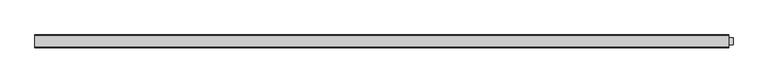
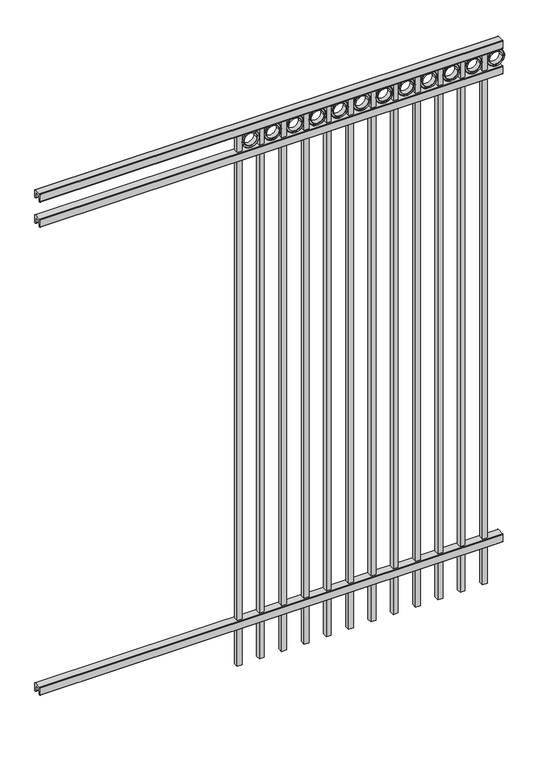
"""IFC4 building model written with IfcOpenShell, lengths in millimetres: railing geometry."""

from ifc_helpers import new_model, si_unit, point, frame, frame_2d, origin, place, context, project, spatial, polyline, circle_curve, trimmed, segment, composite_curve, outline, extrude, source, transform, mapped, element, save


def railing_f466c9e1(model_context):
    return source(origin(), model_context, "Body", "SweptSolid", [
        extrude(outline(composite_curve([segment(polyline([(4253.9139761, 304.8), (4291.969541, 304.8)]), True, "CONTINUOUS"), segment(trimmed(circle_curve(frame_2d((4291.969541, 301.625)), 3.175), [point((4291.969541, 304.8))], [point((4295.144541, 301.625))], False, "CARTESIAN"), True, "CONTINUOUS"), segment(polyline([(4295.144541, 301.625), (4295.144541, 262.1439893)]), True, "CONTINUOUS"), segment(trimmed(circle_curve(frame_2d((4293.3505518, 262.1439893)), 1.7939893), [point((4295.144541, 262.1439893))], [point((4293.3505518, 260.35))], False, "CARTESIAN"), True, "CONTINUOUS"), segment(polyline([(4293.3505518, 260.35), (4290.7590713, 260.35)]), True, "CONTINUOUS"), segment(trimmed(circle_curve(frame_2d((4290.7590713, 262.1359375)), 1.7859375), [point((4290.7590713, 260.35))], [point((4288.9755813, 262.0424688))], False, "CARTESIAN"), True, "CONTINUOUS"), segment(polyline([(4288.9755813, 262.0424688), (4287.4025867, 292.0569942), (4258.4364954, 292.0569942), (4256.8635007, 262.0424688)]), True, "CONTINUOUS"), segment(trimmed(circle_curve(frame_2d((4255.0800108, 262.1359375)), 1.7859375), [point((4256.8635007, 262.0424688))], [point((4255.0800108, 260.35))], False, "CARTESIAN"), True, "CONTINUOUS"), segment(polyline([(4255.0800108, 260.35), (4252.4804785, 260.35)]), True, "CONTINUOUS"), segment(trimmed(circle_curve(frame_2d((4252.4804785, 262.1359375)), 1.7859375), [point((4252.4804785, 260.35))], [point((4250.694541, 262.1359375))], False, "CARTESIAN"), True, "CONTINUOUS"), segment(polyline([(4250.694541, 262.1359375), (4250.694541, 301.5805649)]), True, "CONTINUOUS"), segment(trimmed(circle_curve(frame_2d((4253.9139761, 301.5805649)), 3.2194351), [point((4250.694541, 301.5805649))], [point((4253.9139761, 304.8))], False, "CARTESIAN"), True, "CONTINUOUS")], self_intersect=False)), frame((-6193.0649936, 0.0, 0.0), z_axis=(1.0, 0.0, 0.0), x_axis=(0.0, 1.0, 0.0)), (0.0, 0.0, 1.0), 2438.4),
        extrude(outline(composite_curve([segment(polyline([(4253.9139761, 2907.50625), (4291.969541, 2907.50625)]), True, "CONTINUOUS"), segment(trimmed(circle_curve(frame_2d((4291.969541, 2904.33125)), 3.175), [point((4291.969541, 2907.50625))], [point((4295.144541, 2904.33125))], False, "CARTESIAN"), True, "CONTINUOUS"), segment(polyline([(4295.144541, 2904.33125), (4295.144541, 2864.8502393)]), True, "CONTINUOUS"), segment(trimmed(circle_curve(frame_2d((4293.3505518, 2864.8502393)), 1.7939893), [point((4295.144541, 2864.8502393))], [point((4293.3505518, 2863.05625))], False, "CARTESIAN"), True, "CONTINUOUS"), segment(polyline([(4293.3505518, 2863.05625), (4290.7590713, 2863.05625)]), True, "CONTINUOUS"), segment(trimmed(circle_curve(frame_2d((4290.7590713, 2864.8421875)), 1.7859375), [point((4290.7590713, 2863.05625))], [point((4288.9755813, 2864.7487188))], False, "CARTESIAN"), True, "CONTINUOUS"), segment(polyline([(4288.9755813, 2864.7487188), (4287.4025867, 2894.7632442), (4258.4364954, 2894.7632442), (4256.8635007, 2864.7487188)]), True, "CONTINUOUS"), segment(trimmed(circle_curve(frame_2d((4255.0800108, 2864.8421875)), 1.7859375), [point((4256.8635007, 2864.7487188))], [point((4255.0800108, 2863.05625))], False, "CARTESIAN"), True, "CONTINUOUS"), segment(polyline([(4255.0800108, 2863.05625), (4252.4804785, 2863.05625)]), True, "CONTINUOUS"), segment(trimmed(circle_curve(frame_2d((4252.4804785, 2864.8421875)), 1.7859375), [point((4252.4804785, 2863.05625))], [point((4250.694541, 2864.8421875))], False, "CARTESIAN"), True, "CONTINUOUS"), segment(polyline([(4250.694541, 2864.8421875), (4250.694541, 2904.2868149)]), True, "CONTINUOUS"), segment(trimmed(circle_curve(frame_2d((4253.9139761, 2904.2868149)), 3.2194351), [point((4250.694541, 2904.2868149))], [point((4253.9139761, 2907.50625))], False, "CARTESIAN"), True, "CONTINUOUS")], self_intersect=False)), frame((-6193.0649936, 0.0, 0.0), z_axis=(1.0, 0.0, 0.0), x_axis=(0.0, 1.0, 0.0)), (0.0, 0.0, 1.0), 2438.4),
        extrude(outline(composite_curve([segment(polyline([(4253.9139761, 3048.0), (4291.969541, 3048.0)]), True, "CONTINUOUS"), segment(trimmed(circle_curve(frame_2d((4291.969541, 3044.825)), 3.175), [point((4291.969541, 3048.0))], [point((4295.144541, 3044.825))], False, "CARTESIAN"), True, "CONTINUOUS"), segment(polyline([(4295.144541, 3044.825), (4295.144541, 3005.3439893)]), True, "CONTINUOUS"), segment(trimmed(circle_curve(frame_2d((4293.3505518, 3005.3439893)), 1.7939893), [point((4295.144541, 3005.3439893))], [point((4293.3505518, 3003.55))], False, "CARTESIAN"), True, "CONTINUOUS"), segment(polyline([(4293.3505518, 3003.55), (4290.7590713, 3003.55)]), True, "CONTINUOUS"), segment(trimmed(circle_curve(frame_2d((4290.7590713, 3005.3359375)), 1.7859375), [point((4290.7590713, 3003.55))], [point((4288.9755813, 3005.2424688))], False, "CARTESIAN"), True, "CONTINUOUS"), segment(polyline([(4288.9755813, 3005.2424688), (4287.4025867, 3035.2569942), (4258.4364954, 3035.2569942), (4256.8635007, 3005.2424688)]), True, "CONTINUOUS"), segment(trimmed(circle_curve(frame_2d((4255.0800108, 3005.3359375)), 1.7859375), [point((4256.8635007, 3005.2424688))], [point((4255.0800108, 3003.55))], False, "CARTESIAN"), True, "CONTINUOUS"), segment(polyline([(4255.0800108, 3003.55), (4252.4804785, 3003.55)]), True, "CONTINUOUS"), segment(trimmed(circle_curve(frame_2d((4252.4804785, 3005.3359375)), 1.7859375), [point((4252.4804785, 3003.55))], [point((4250.694541, 3005.3359375))], False, "CARTESIAN"), True, "CONTINUOUS"), segment(polyline([(4250.694541, 3005.3359375), (4250.694541, 3044.7805649)]), True, "CONTINUOUS"), segment(trimmed(circle_curve(frame_2d((4253.9139761, 3044.7805649)), 3.2194351), [point((4250.694541, 3044.7805649))], [point((4253.9139761, 3048.0))], False, "CARTESIAN"), True, "CONTINUOUS")], self_intersect=False)), frame((-6193.0649936, 0.0, 0.0), z_axis=(1.0, 0.0, 0.0), x_axis=(0.0, 1.0, 0.0)), (0.0, 0.0, 1.0), 2438.4),
        extrude(outline(polyline([(0.0, -2952.75), (0.0, 0.0), (25.4, 0.0), (25.4, -2952.75), (0.0, -2952.75)])), frame((-3830.8649864, 4285.619541, 3003.55), z_axis=(-1.0, 0.0, 1.4053472285532807e-09), x_axis=(0.0, -1.0, 0.0)), (0.0, 0.0, 1.0), 25.4),
        extrude(outline(composite_curve([segment(trimmed(circle_curve(frame_2d((2957.8511409, -3785.1661274)), 45.6988591), [point((2957.8511409, -3739.4672684))], [point((2957.8511409, -3830.8649865))], False, "CARTESIAN"), True, "CONTINUOUS"), segment(trimmed(circle_curve(frame_2d((2957.8511409, -3785.1661274)), 45.6988591), [point((2957.8511409, -3830.8649865))], [point((2957.8511409, -3739.4672684))], False, "CARTESIAN"), True, "CONTINUOUS")], self_intersect=False), holes=[composite_curve([segment(trimmed(circle_curve(frame_2d((2957.8511409, -3785.1661274)), 44.101539), [point((2957.8511409, -3741.0645884))], [point((2957.8511409, -3829.2676665))], True, "CARTESIAN"), True, "CONTINUOUS"), segment(trimmed(circle_curve(frame_2d((2957.8511409, -3785.1661274)), 44.101539), [point((2957.8511409, -3829.2676665))], [point((2957.8511409, -3741.0645884))], True, "CARTESIAN"), True, "CONTINUOUS")], self_intersect=False)]), frame((0.0, 4260.219541, 0.0), z_axis=(0.0, 1.0, 0.0), x_axis=(0.0, 0.0, 1.0)), (0.0, 0.0, 1.0), 25.4),
        extrude(outline(composite_curve([segment(trimmed(circle_curve(frame_2d((2957.8511409, -3785.1661274)), 34.6370762), [point((2957.8511409, -3750.5290512))], [point((2957.8511409, -3819.8032037))], False, "CARTESIAN"), True, "CONTINUOUS"), segment(trimmed(circle_curve(frame_2d((2957.8511409, -3785.1661274)), 34.6370762), [point((2957.8511409, -3819.8032037))], [point((2957.8511409, -3750.5290512))], False, "CARTESIAN"), True, "CONTINUOUS")], self_intersect=False), holes=[composite_curve([segment(trimmed(circle_curve(frame_2d((2957.8511409, -3785.1661274)), 33.0443887), [point((2957.8511409, -3752.1217388))], [point((2957.8511409, -3818.2105161))], True, "CARTESIAN"), True, "CONTINUOUS"), segment(trimmed(circle_curve(frame_2d((2957.8511409, -3785.1661274)), 33.0443887), [point((2957.8511409, -3818.2105161))], [point((2957.8511409, -3752.1217388))], True, "CARTESIAN"), True, "CONTINUOUS")], self_intersect=False)]), frame((0.0, 4260.219541, 0.0), z_axis=(0.0, 1.0, 0.0), x_axis=(0.0, 0.0, 1.0)), (0.0, 0.0, 1.0), 25.4),
        extrude(outline(composite_curve([segment(trimmed(circle_curve(frame_2d((2957.8511409, -3785.1661274)), 45.6988591), [point((2957.8511409, -3739.4672684))], [point((2957.8511409, -3830.8649865))], False, "CARTESIAN"), True, "CONTINUOUS"), segment(trimmed(circle_curve(frame_2d((2957.8511409, -3785.1661274)), 45.6988591), [point((2957.8511409, -3830.8649865))], [point((2957.8511409, -3739.4672684))], False, "CARTESIAN"), True, "CONTINUOUS")], self_intersect=False), holes=[composite_curve([segment(trimmed(circle_curve(frame_2d((2957.8511409, -3785.1661274)), 33.0443887), [point((2957.8511409, -3752.1217388))], [point((2957.8511409, -3818.2105161))], True, "CARTESIAN"), True, "CONTINUOUS"), segment(trimmed(circle_curve(frame_2d((2957.8511409, -3785.1661274)), 33.0443887), [point((2957.8511409, -3818.2105161))], [point((2957.8511409, -3752.1217388))], True, "CARTESIAN"), True, "CONTINUOUS")], self_intersect=False)]), frame((0.0, 4266.569541, 0.0), z_axis=(0.0, 1.0, 0.0), x_axis=(0.0, 0.0, 1.0)), (0.0, 0.0, 1.0), 12.7),
        extrude(outline(polyline([(0.0, -2952.75), (0.0, 0.0), (25.4, 0.0), (25.4, -2952.75), (0.0, -2952.75)])), frame((-3948.3399864, 4285.619541, 3003.55), z_axis=(-1.0, 0.0, 1.4053472285532807e-09), x_axis=(0.0, -1.0, 0.0)), (0.0, 0.0, 1.0), 25.4),
        extrude(outline(composite_curve([segment(trimmed(circle_curve(frame_2d((2957.8511409, -3902.6411274)), 45.6988591), [point((2957.8511409, -3856.9422684))], [point((2957.8511409, -3948.3399865))], False, "CARTESIAN"), True, "CONTINUOUS"), segment(trimmed(circle_curve(frame_2d((2957.8511409, -3902.6411274)), 45.6988591), [point((2957.8511409, -3948.3399865))], [point((2957.8511409, -3856.9422684))], False, "CARTESIAN"), True, "CONTINUOUS")], self_intersect=False), holes=[composite_curve([segment(trimmed(circle_curve(frame_2d((2957.8511409, -3902.6411274)), 44.101539), [point((2957.8511409, -3858.5395884))], [point((2957.8511409, -3946.7426665))], True, "CARTESIAN"), True, "CONTINUOUS"), segment(trimmed(circle_curve(frame_2d((2957.8511409, -3902.6411274)), 44.101539), [point((2957.8511409, -3946.7426665))], [point((2957.8511409, -3858.5395884))], True, "CARTESIAN"), True, "CONTINUOUS")], self_intersect=False)]), frame((0.0, 4260.219541, 0.0), z_axis=(0.0, 1.0, 0.0), x_axis=(0.0, 0.0, 1.0)), (0.0, 0.0, 1.0), 25.4),
        extrude(outline(composite_curve([segment(trimmed(circle_curve(frame_2d((2957.8511409, -3902.6411274)), 34.6370762), [point((2957.8511409, -3868.0040512))], [point((2957.8511409, -3937.2782037))], False, "CARTESIAN"), True, "CONTINUOUS"), segment(trimmed(circle_curve(frame_2d((2957.8511409, -3902.6411274)), 34.6370762), [point((2957.8511409, -3937.2782037))], [point((2957.8511409, -3868.0040512))], False, "CARTESIAN"), True, "CONTINUOUS")], self_intersect=False), holes=[composite_curve([segment(trimmed(circle_curve(frame_2d((2957.8511409, -3902.6411274)), 33.0443887), [point((2957.8511409, -3869.5967388))], [point((2957.8511409, -3935.6855161))], True, "CARTESIAN"), True, "CONTINUOUS"), segment(trimmed(circle_curve(frame_2d((2957.8511409, -3902.6411274)), 33.0443887), [point((2957.8511409, -3935.6855161))], [point((2957.8511409, -3869.5967388))], True, "CARTESIAN"), True, "CONTINUOUS")], self_intersect=False)]), frame((0.0, 4260.219541, 0.0), z_axis=(0.0, 1.0, 0.0), x_axis=(0.0, 0.0, 1.0)), (0.0, 0.0, 1.0), 25.4),
        extrude(outline(composite_curve([segment(trimmed(circle_curve(frame_2d((2957.8511409, -3902.6411274)), 45.6988591), [point((2957.8511409, -3856.9422684))], [point((2957.8511409, -3948.3399865))], False, "CARTESIAN"), True, "CONTINUOUS"), segment(trimmed(circle_curve(frame_2d((2957.8511409, -3902.6411274)), 45.6988591), [point((2957.8511409, -3948.3399865))], [point((2957.8511409, -3856.9422684))], False, "CARTESIAN"), True, "CONTINUOUS")], self_intersect=False), holes=[composite_curve([segment(trimmed(circle_curve(frame_2d((2957.8511409, -3902.6411274)), 33.0443887), [point((2957.8511409, -3869.5967388))], [point((2957.8511409, -3935.6855161))], True, "CARTESIAN"), True, "CONTINUOUS"), segment(trimmed(circle_curve(frame_2d((2957.8511409, -3902.6411274)), 33.0443887), [point((2957.8511409, -3935.6855161))], [point((2957.8511409, -3869.5967388))], True, "CARTESIAN"), True, "CONTINUOUS")], self_intersect=False)]), frame((0.0, 4266.569541, 0.0), z_axis=(0.0, 1.0, 0.0), x_axis=(0.0, 0.0, 1.0)), (0.0, 0.0, 1.0), 12.7),
        extrude(outline(polyline([(0.0, -2952.75), (0.0, 0.0), (25.4, 0.0), (25.4, -2952.75), (0.0, -2952.75)])), frame((-4065.8149864, 4285.619541, 3003.55), z_axis=(-1.0, 0.0, 1.4053472285532807e-09), x_axis=(0.0, -1.0, 0.0)), (0.0, 0.0, 1.0), 25.4),
        extrude(outline(composite_curve([segment(trimmed(circle_curve(frame_2d((2957.8511409, -4020.1161274)), 45.6988591), [point((2957.8511409, -3974.4172684))], [point((2957.8511409, -4065.8149865))], False, "CARTESIAN"), True, "CONTINUOUS"), segment(trimmed(circle_curve(frame_2d((2957.8511409, -4020.1161274)), 45.6988591), [point((2957.8511409, -4065.8149865))], [point((2957.8511409, -3974.4172684))], False, "CARTESIAN"), True, "CONTINUOUS")], self_intersect=False), holes=[composite_curve([segment(trimmed(circle_curve(frame_2d((2957.8511409, -4020.1161274)), 44.101539), [point((2957.8511409, -3976.0145884))], [point((2957.8511409, -4064.2176665))], True, "CARTESIAN"), True, "CONTINUOUS"), segment(trimmed(circle_curve(frame_2d((2957.8511409, -4020.1161274)), 44.101539), [point((2957.8511409, -4064.2176665))], [point((2957.8511409, -3976.0145884))], True, "CARTESIAN"), True, "CONTINUOUS")], self_intersect=False)]), frame((0.0, 4260.219541, 0.0), z_axis=(0.0, 1.0, 0.0), x_axis=(0.0, 0.0, 1.0)), (0.0, 0.0, 1.0), 25.4),
        extrude(outline(composite_curve([segment(trimmed(circle_curve(frame_2d((2957.8511409, -4020.1161274)), 34.6370762), [point((2957.8511409, -3985.4790512))], [point((2957.8511409, -4054.7532037))], False, "CARTESIAN"), True, "CONTINUOUS"), segment(trimmed(circle_curve(frame_2d((2957.8511409, -4020.1161274)), 34.6370762), [point((2957.8511409, -4054.7532037))], [point((2957.8511409, -3985.4790512))], False, "CARTESIAN"), True, "CONTINUOUS")], self_intersect=False), holes=[composite_curve([segment(trimmed(circle_curve(frame_2d((2957.8511409, -4020.1161274)), 33.0443887), [point((2957.8511409, -3987.0717388))], [point((2957.8511409, -4053.1605161))], True, "CARTESIAN"), True, "CONTINUOUS"), segment(trimmed(circle_curve(frame_2d((2957.8511409, -4020.1161274)), 33.0443887), [point((2957.8511409, -4053.1605161))], [point((2957.8511409, -3987.0717388))], True, "CARTESIAN"), True, "CONTINUOUS")], self_intersect=False)]), frame((0.0, 4260.219541, 0.0), z_axis=(0.0, 1.0, 0.0), x_axis=(0.0, 0.0, 1.0)), (0.0, 0.0, 1.0), 25.4),
        extrude(outline(composite_curve([segment(trimmed(circle_curve(frame_2d((2957.8511409, -4020.1161274)), 45.6988591), [point((2957.8511409, -3974.4172684))], [point((2957.8511409, -4065.8149865))], False, "CARTESIAN"), True, "CONTINUOUS"), segment(trimmed(circle_curve(frame_2d((2957.8511409, -4020.1161274)), 45.6988591), [point((2957.8511409, -4065.8149865))], [point((2957.8511409, -3974.4172684))], False, "CARTESIAN"), True, "CONTINUOUS")], self_intersect=False), holes=[composite_curve([segment(trimmed(circle_curve(frame_2d((2957.8511409, -4020.1161274)), 33.0443887), [point((2957.8511409, -3987.0717388))], [point((2957.8511409, -4053.1605161))], True, "CARTESIAN"), True, "CONTINUOUS"), segment(trimmed(circle_curve(frame_2d((2957.8511409, -4020.1161274)), 33.0443887), [point((2957.8511409, -4053.1605161))], [point((2957.8511409, -3987.0717388))], True, "CARTESIAN"), True, "CONTINUOUS")], self_intersect=False)]), frame((0.0, 4266.569541, 0.0), z_axis=(0.0, 1.0, 0.0), x_axis=(0.0, 0.0, 1.0)), (0.0, 0.0, 1.0), 12.7),
        extrude(outline(polyline([(0.0, -2952.75), (0.0, 0.0), (25.4, 0.0), (25.4, -2952.75), (0.0, -2952.75)])), frame((-4183.2899864, 4285.619541, 3003.55), z_axis=(-1.0, 0.0, 1.4053472285532807e-09), x_axis=(0.0, -1.0, 0.0)), (0.0, 0.0, 1.0), 25.4),
        extrude(outline(composite_curve([segment(trimmed(circle_curve(frame_2d((2957.8511409, -4137.5911274)), 45.6988591), [point((2957.8511409, -4091.8922684))], [point((2957.8511409, -4183.2899865))], False, "CARTESIAN"), True, "CONTINUOUS"), segment(trimmed(circle_curve(frame_2d((2957.8511409, -4137.5911274)), 45.6988591), [point((2957.8511409, -4183.2899865))], [point((2957.8511409, -4091.8922684))], False, "CARTESIAN"), True, "CONTINUOUS")], self_intersect=False), holes=[composite_curve([segment(trimmed(circle_curve(frame_2d((2957.8511409, -4137.5911274)), 44.101539), [point((2957.8511409, -4093.4895884))], [point((2957.8511409, -4181.6926665))], True, "CARTESIAN"), True, "CONTINUOUS"), segment(trimmed(circle_curve(frame_2d((2957.8511409, -4137.5911274)), 44.101539), [point((2957.8511409, -4181.6926665))], [point((2957.8511409, -4093.4895884))], True, "CARTESIAN"), True, "CONTINUOUS")], self_intersect=False)]), frame((0.0, 4260.219541, 0.0), z_axis=(0.0, 1.0, 0.0), x_axis=(0.0, 0.0, 1.0)), (0.0, 0.0, 1.0), 25.4),
        extrude(outline(composite_curve([segment(trimmed(circle_curve(frame_2d((2957.8511409, -4137.5911274)), 34.6370762), [point((2957.8511409, -4102.9540512))], [point((2957.8511409, -4172.2282037))], False, "CARTESIAN"), True, "CONTINUOUS"), segment(trimmed(circle_curve(frame_2d((2957.8511409, -4137.5911274)), 34.6370762), [point((2957.8511409, -4172.2282037))], [point((2957.8511409, -4102.9540512))], False, "CARTESIAN"), True, "CONTINUOUS")], self_intersect=False), holes=[composite_curve([segment(trimmed(circle_curve(frame_2d((2957.8511409, -4137.5911274)), 33.0443887), [point((2957.8511409, -4104.5467388))], [point((2957.8511409, -4170.6355161))], True, "CARTESIAN"), True, "CONTINUOUS"), segment(trimmed(circle_curve(frame_2d((2957.8511409, -4137.5911274)), 33.0443887), [point((2957.8511409, -4170.6355161))], [point((2957.8511409, -4104.5467388))], True, "CARTESIAN"), True, "CONTINUOUS")], self_intersect=False)]), frame((0.0, 4260.219541, 0.0), z_axis=(0.0, 1.0, 0.0), x_axis=(0.0, 0.0, 1.0)), (0.0, 0.0, 1.0), 25.4),
        extrude(outline(composite_curve([segment(trimmed(circle_curve(frame_2d((2957.8511409, -4137.5911274)), 45.6988591), [point((2957.8511409, -4091.8922684))], [point((2957.8511409, -4183.2899865))], False, "CARTESIAN"), True, "CONTINUOUS"), segment(trimmed(circle_curve(frame_2d((2957.8511409, -4137.5911274)), 45.6988591), [point((2957.8511409, -4183.2899865))], [point((2957.8511409, -4091.8922684))], False, "CARTESIAN"), True, "CONTINUOUS")], self_intersect=False), holes=[composite_curve([segment(trimmed(circle_curve(frame_2d((2957.8511409, -4137.5911274)), 33.0443887), [point((2957.8511409, -4104.5467388))], [point((2957.8511409, -4170.6355161))], True, "CARTESIAN"), True, "CONTINUOUS"), segment(trimmed(circle_curve(frame_2d((2957.8511409, -4137.5911274)), 33.0443887), [point((2957.8511409, -4170.6355161))], [point((2957.8511409, -4104.5467388))], True, "CARTESIAN"), True, "CONTINUOUS")], self_intersect=False)]), frame((0.0, 4266.569541, 0.0), z_axis=(0.0, 1.0, 0.0), x_axis=(0.0, 0.0, 1.0)), (0.0, 0.0, 1.0), 12.7),
        extrude(outline(polyline([(0.0, -2952.75), (0.0, 0.0), (25.4, 0.0), (25.4, -2952.75), (0.0, -2952.75)])), frame((-4300.7649864, 4285.619541, 3003.55), z_axis=(-1.0, 0.0, 1.4053472285532807e-09), x_axis=(0.0, -1.0, 0.0)), (0.0, 0.0, 1.0), 25.4),
        extrude(outline(composite_curve([segment(trimmed(circle_curve(frame_2d((2957.8511409, -4255.0661274)), 45.6988591), [point((2957.8511409, -4209.3672684))], [point((2957.8511409, -4300.7649865))], False, "CARTESIAN"), True, "CONTINUOUS"), segment(trimmed(circle_curve(frame_2d((2957.8511409, -4255.0661274)), 45.6988591), [point((2957.8511409, -4300.7649865))], [point((2957.8511409, -4209.3672684))], False, "CARTESIAN"), True, "CONTINUOUS")], self_intersect=False), holes=[composite_curve([segment(trimmed(circle_curve(frame_2d((2957.8511409, -4255.0661274)), 44.101539), [point((2957.8511409, -4210.9645884))], [point((2957.8511409, -4299.1676665))], True, "CARTESIAN"), True, "CONTINUOUS"), segment(trimmed(circle_curve(frame_2d((2957.8511409, -4255.0661274)), 44.101539), [point((2957.8511409, -4299.1676665))], [point((2957.8511409, -4210.9645884))], True, "CARTESIAN"), True, "CONTINUOUS")], self_intersect=False)]), frame((0.0, 4260.219541, 0.0), z_axis=(0.0, 1.0, 0.0), x_axis=(0.0, 0.0, 1.0)), (0.0, 0.0, 1.0), 25.4),
        extrude(outline(composite_curve([segment(trimmed(circle_curve(frame_2d((2957.8511409, -4255.0661274)), 34.6370762), [point((2957.8511409, -4220.4290512))], [point((2957.8511409, -4289.7032037))], False, "CARTESIAN"), True, "CONTINUOUS"), segment(trimmed(circle_curve(frame_2d((2957.8511409, -4255.0661274)), 34.6370762), [point((2957.8511409, -4289.7032037))], [point((2957.8511409, -4220.4290512))], False, "CARTESIAN"), True, "CONTINUOUS")], self_intersect=False), holes=[composite_curve([segment(trimmed(circle_curve(frame_2d((2957.8511409, -4255.0661274)), 33.0443887), [point((2957.8511409, -4222.0217388))], [point((2957.8511409, -4288.1105161))], True, "CARTESIAN"), True, "CONTINUOUS"), segment(trimmed(circle_curve(frame_2d((2957.8511409, -4255.0661274)), 33.0443887), [point((2957.8511409, -4288.1105161))], [point((2957.8511409, -4222.0217388))], True, "CARTESIAN"), True, "CONTINUOUS")], self_intersect=False)]), frame((0.0, 4260.219541, 0.0), z_axis=(0.0, 1.0, 0.0), x_axis=(0.0, 0.0, 1.0)), (0.0, 0.0, 1.0), 25.4),
        extrude(outline(composite_curve([segment(trimmed(circle_curve(frame_2d((2957.8511409, -4255.0661274)), 45.6988591), [point((2957.8511409, -4209.3672684))], [point((2957.8511409, -4300.7649865))], False, "CARTESIAN"), True, "CONTINUOUS"), segment(trimmed(circle_curve(frame_2d((2957.8511409, -4255.0661274)), 45.6988591), [point((2957.8511409, -4300.7649865))], [point((2957.8511409, -4209.3672684))], False, "CARTESIAN"), True, "CONTINUOUS")], self_intersect=False), holes=[composite_curve([segment(trimmed(circle_curve(frame_2d((2957.8511409, -4255.0661274)), 33.0443887), [point((2957.8511409, -4222.0217388))], [point((2957.8511409, -4288.1105161))], True, "CARTESIAN"), True, "CONTINUOUS"), segment(trimmed(circle_curve(frame_2d((2957.8511409, -4255.0661274)), 33.0443887), [point((2957.8511409, -4288.1105161))], [point((2957.8511409, -4222.0217388))], True, "CARTESIAN"), True, "CONTINUOUS")], self_intersect=False)]), frame((0.0, 4266.569541, 0.0), z_axis=(0.0, 1.0, 0.0), x_axis=(0.0, 0.0, 1.0)), (0.0, 0.0, 1.0), 12.7),
        extrude(outline(polyline([(0.0, -2952.75), (0.0, 0.0), (25.4, 0.0), (25.4, -2952.75), (0.0, -2952.75)])), frame((-4418.2399864, 4285.619541, 3003.55), z_axis=(-1.0, 0.0, 1.4053472285532807e-09), x_axis=(0.0, -1.0, 0.0)), (0.0, 0.0, 1.0), 25.4),
        extrude(outline(composite_curve([segment(trimmed(circle_curve(frame_2d((2957.8511409, -4372.5411274)), 45.6988591), [point((2957.8511409, -4326.8422684))], [point((2957.8511409, -4418.2399865))], False, "CARTESIAN"), True, "CONTINUOUS"), segment(trimmed(circle_curve(frame_2d((2957.8511409, -4372.5411274)), 45.6988591), [point((2957.8511409, -4418.2399865))], [point((2957.8511409, -4326.8422684))], False, "CARTESIAN"), True, "CONTINUOUS")], self_intersect=False), holes=[composite_curve([segment(trimmed(circle_curve(frame_2d((2957.8511409, -4372.5411274)), 44.101539), [point((2957.8511409, -4328.4395884))], [point((2957.8511409, -4416.6426665))], True, "CARTESIAN"), True, "CONTINUOUS"), segment(trimmed(circle_curve(frame_2d((2957.8511409, -4372.5411274)), 44.101539), [point((2957.8511409, -4416.6426665))], [point((2957.8511409, -4328.4395884))], True, "CARTESIAN"), True, "CONTINUOUS")], self_intersect=False)]), frame((0.0, 4260.219541, 0.0), z_axis=(0.0, 1.0, 0.0), x_axis=(0.0, 0.0, 1.0)), (0.0, 0.0, 1.0), 25.4),
        extrude(outline(composite_curve([segment(trimmed(circle_curve(frame_2d((2957.8511409, -4372.5411274)), 34.6370762), [point((2957.8511409, -4337.9040512))], [point((2957.8511409, -4407.1782037))], False, "CARTESIAN"), True, "CONTINUOUS"), segment(trimmed(circle_curve(frame_2d((2957.8511409, -4372.5411274)), 34.6370762), [point((2957.8511409, -4407.1782037))], [point((2957.8511409, -4337.9040512))], False, "CARTESIAN"), True, "CONTINUOUS")], self_intersect=False), holes=[composite_curve([segment(trimmed(circle_curve(frame_2d((2957.8511409, -4372.5411274)), 33.0443887), [point((2957.8511409, -4339.4967388))], [point((2957.8511409, -4405.5855161))], True, "CARTESIAN"), True, "CONTINUOUS"), segment(trimmed(circle_curve(frame_2d((2957.8511409, -4372.5411274)), 33.0443887), [point((2957.8511409, -4405.5855161))], [point((2957.8511409, -4339.4967388))], True, "CARTESIAN"), True, "CONTINUOUS")], self_intersect=False)]), frame((0.0, 4260.219541, 0.0), z_axis=(0.0, 1.0, 0.0), x_axis=(0.0, 0.0, 1.0)), (0.0, 0.0, 1.0), 25.4),
        extrude(outline(composite_curve([segment(trimmed(circle_curve(frame_2d((2957.8511409, -4372.5411274)), 45.6988591), [point((2957.8511409, -4326.8422684))], [point((2957.8511409, -4418.2399865))], False, "CARTESIAN"), True, "CONTINUOUS"), segment(trimmed(circle_curve(frame_2d((2957.8511409, -4372.5411274)), 45.6988591), [point((2957.8511409, -4418.2399865))], [point((2957.8511409, -4326.8422684))], False, "CARTESIAN"), True, "CONTINUOUS")], self_intersect=False), holes=[composite_curve([segment(trimmed(circle_curve(frame_2d((2957.8511409, -4372.5411274)), 33.0443887), [point((2957.8511409, -4339.4967388))], [point((2957.8511409, -4405.5855161))], True, "CARTESIAN"), True, "CONTINUOUS"), segment(trimmed(circle_curve(frame_2d((2957.8511409, -4372.5411274)), 33.0443887), [point((2957.8511409, -4405.5855161))], [point((2957.8511409, -4339.4967388))], True, "CARTESIAN"), True, "CONTINUOUS")], self_intersect=False)]), frame((0.0, 4266.569541, 0.0), z_axis=(0.0, 1.0, 0.0), x_axis=(0.0, 0.0, 1.0)), (0.0, 0.0, 1.0), 12.7),
        extrude(outline(polyline([(0.0, -2952.75), (0.0, 0.0), (25.4, 0.0), (25.4, -2952.75), (0.0, -2952.75)])), frame((-4535.7149864, 4285.619541, 3003.55), z_axis=(-1.0, 0.0, 1.4053472285532807e-09), x_axis=(0.0, -1.0, 0.0)), (0.0, 0.0, 1.0), 25.4),
        extrude(outline(composite_curve([segment(trimmed(circle_curve(frame_2d((2957.8511409, -4490.0161274)), 45.6988591), [point((2957.8511409, -4444.3172684))], [point((2957.8511409, -4535.7149865))], False, "CARTESIAN"), True, "CONTINUOUS"), segment(trimmed(circle_curve(frame_2d((2957.8511409, -4490.0161274)), 45.6988591), [point((2957.8511409, -4535.7149865))], [point((2957.8511409, -4444.3172684))], False, "CARTESIAN"), True, "CONTINUOUS")], self_intersect=False), holes=[composite_curve([segment(trimmed(circle_curve(frame_2d((2957.8511409, -4490.0161274)), 44.101539), [point((2957.8511409, -4445.9145884))], [point((2957.8511409, -4534.1176665))], True, "CARTESIAN"), True, "CONTINUOUS"), segment(trimmed(circle_curve(frame_2d((2957.8511409, -4490.0161274)), 44.101539), [point((2957.8511409, -4534.1176665))], [point((2957.8511409, -4445.9145884))], True, "CARTESIAN"), True, "CONTINUOUS")], self_intersect=False)]), frame((0.0, 4260.219541, 0.0), z_axis=(0.0, 1.0, 0.0), x_axis=(0.0, 0.0, 1.0)), (0.0, 0.0, 1.0), 25.4),
        extrude(outline(composite_curve([segment(trimmed(circle_curve(frame_2d((2957.8511409, -4490.0161274)), 34.6370762), [point((2957.8511409, -4455.3790512))], [point((2957.8511409, -4524.6532037))], False, "CARTESIAN"), True, "CONTINUOUS"), segment(trimmed(circle_curve(frame_2d((2957.8511409, -4490.0161274)), 34.6370762), [point((2957.8511409, -4524.6532037))], [point((2957.8511409, -4455.3790512))], False, "CARTESIAN"), True, "CONTINUOUS")], self_intersect=False), holes=[composite_curve([segment(trimmed(circle_curve(frame_2d((2957.8511409, -4490.0161274)), 33.0443887), [point((2957.8511409, -4456.9717388))], [point((2957.8511409, -4523.0605161))], True, "CARTESIAN"), True, "CONTINUOUS"), segment(trimmed(circle_curve(frame_2d((2957.8511409, -4490.0161274)), 33.0443887), [point((2957.8511409, -4523.0605161))], [point((2957.8511409, -4456.9717388))], True, "CARTESIAN"), True, "CONTINUOUS")], self_intersect=False)]), frame((0.0, 4260.219541, 0.0), z_axis=(0.0, 1.0, 0.0), x_axis=(0.0, 0.0, 1.0)), (0.0, 0.0, 1.0), 25.4),
        extrude(outline(composite_curve([segment(trimmed(circle_curve(frame_2d((2957.8511409, -4490.0161274)), 45.6988591), [point((2957.8511409, -4444.3172684))], [point((2957.8511409, -4535.7149865))], False, "CARTESIAN"), True, "CONTINUOUS"), segment(trimmed(circle_curve(frame_2d((2957.8511409, -4490.0161274)), 45.6988591), [point((2957.8511409, -4535.7149865))], [point((2957.8511409, -4444.3172684))], False, "CARTESIAN"), True, "CONTINUOUS")], self_intersect=False), holes=[composite_curve([segment(trimmed(circle_curve(frame_2d((2957.8511409, -4490.0161274)), 33.0443887), [point((2957.8511409, -4456.9717388))], [point((2957.8511409, -4523.0605161))], True, "CARTESIAN"), True, "CONTINUOUS"), segment(trimmed(circle_curve(frame_2d((2957.8511409, -4490.0161274)), 33.0443887), [point((2957.8511409, -4523.0605161))], [point((2957.8511409, -4456.9717388))], True, "CARTESIAN"), True, "CONTINUOUS")], self_intersect=False)]), frame((0.0, 4266.569541, 0.0), z_axis=(0.0, 1.0, 0.0), x_axis=(0.0, 0.0, 1.0)), (0.0, 0.0, 1.0), 12.7),
        extrude(outline(polyline([(0.0, -2952.75), (0.0, 0.0), (25.4, 0.0), (25.4, -2952.75), (0.0, -2952.75)])), frame((-4653.1899864, 4285.619541, 3003.55), z_axis=(-1.0, 0.0, 1.4053472285532807e-09), x_axis=(0.0, -1.0, 0.0)), (0.0, 0.0, 1.0), 25.4),
        extrude(outline(composite_curve([segment(trimmed(circle_curve(frame_2d((2957.8511409, -4607.4911274)), 45.6988591), [point((2957.8511409, -4561.7922684))], [point((2957.8511409, -4653.1899865))], False, "CARTESIAN"), True, "CONTINUOUS"), segment(trimmed(circle_curve(frame_2d((2957.8511409, -4607.4911274)), 45.6988591), [point((2957.8511409, -4653.1899865))], [point((2957.8511409, -4561.7922684))], False, "CARTESIAN"), True, "CONTINUOUS")], self_intersect=False), holes=[composite_curve([segment(trimmed(circle_curve(frame_2d((2957.8511409, -4607.4911274)), 44.101539), [point((2957.8511409, -4563.3895884))], [point((2957.8511409, -4651.5926665))], True, "CARTESIAN"), True, "CONTINUOUS"), segment(trimmed(circle_curve(frame_2d((2957.8511409, -4607.4911274)), 44.101539), [point((2957.8511409, -4651.5926665))], [point((2957.8511409, -4563.3895884))], True, "CARTESIAN"), True, "CONTINUOUS")], self_intersect=False)]), frame((0.0, 4260.219541, 0.0), z_axis=(0.0, 1.0, 0.0), x_axis=(0.0, 0.0, 1.0)), (0.0, 0.0, 1.0), 25.4),
        extrude(outline(composite_curve([segment(trimmed(circle_curve(frame_2d((2957.8511409, -4607.4911274)), 34.6370762), [point((2957.8511409, -4572.8540512))], [point((2957.8511409, -4642.1282037))], False, "CARTESIAN"), True, "CONTINUOUS"), segment(trimmed(circle_curve(frame_2d((2957.8511409, -4607.4911274)), 34.6370762), [point((2957.8511409, -4642.1282037))], [point((2957.8511409, -4572.8540512))], False, "CARTESIAN"), True, "CONTINUOUS")], self_intersect=False), holes=[composite_curve([segment(trimmed(circle_curve(frame_2d((2957.8511409, -4607.4911274)), 33.0443887), [point((2957.8511409, -4574.4467388))], [point((2957.8511409, -4640.5355161))], True, "CARTESIAN"), True, "CONTINUOUS"), segment(trimmed(circle_curve(frame_2d((2957.8511409, -4607.4911274)), 33.0443887), [point((2957.8511409, -4640.5355161))], [point((2957.8511409, -4574.4467388))], True, "CARTESIAN"), True, "CONTINUOUS")], self_intersect=False)]), frame((0.0, 4260.219541, 0.0), z_axis=(0.0, 1.0, 0.0), x_axis=(0.0, 0.0, 1.0)), (0.0, 0.0, 1.0), 25.4),
        extrude(outline(composite_curve([segment(trimmed(circle_curve(frame_2d((2957.8511409, -4607.4911274)), 45.6988591), [point((2957.8511409, -4561.7922684))], [point((2957.8511409, -4653.1899865))], False, "CARTESIAN"), True, "CONTINUOUS"), segment(trimmed(circle_curve(frame_2d((2957.8511409, -4607.4911274)), 45.6988591), [point((2957.8511409, -4653.1899865))], [point((2957.8511409, -4561.7922684))], False, "CARTESIAN"), True, "CONTINUOUS")], self_intersect=False), holes=[composite_curve([segment(trimmed(circle_curve(frame_2d((2957.8511409, -4607.4911274)), 33.0443887), [point((2957.8511409, -4574.4467388))], [point((2957.8511409, -4640.5355161))], True, "CARTESIAN"), True, "CONTINUOUS"), segment(trimmed(circle_curve(frame_2d((2957.8511409, -4607.4911274)), 33.0443887), [point((2957.8511409, -4640.5355161))], [point((2957.8511409, -4574.4467388))], True, "CARTESIAN"), True, "CONTINUOUS")], self_intersect=False)]), frame((0.0, 4266.569541, 0.0), z_axis=(0.0, 1.0, 0.0), x_axis=(0.0, 0.0, 1.0)), (0.0, 0.0, 1.0), 12.7),
        extrude(outline(polyline([(0.0, -2952.75), (0.0, 0.0), (25.4, 0.0), (25.4, -2952.75), (0.0, -2952.75)])), frame((-4770.6649864, 4285.619541, 3003.55), z_axis=(-1.0, 0.0, 1.4053472285532807e-09), x_axis=(0.0, -1.0, 0.0)), (0.0, 0.0, 1.0), 25.4),
        extrude(outline(composite_curve([segment(trimmed(circle_curve(frame_2d((2957.8511409, -4724.9661274)), 45.6988591), [point((2957.8511409, -4679.2672684))], [point((2957.8511409, -4770.6649865))], False, "CARTESIAN"), True, "CONTINUOUS"), segment(trimmed(circle_curve(frame_2d((2957.8511409, -4724.9661274)), 45.6988591), [point((2957.8511409, -4770.6649865))], [point((2957.8511409, -4679.2672684))], False, "CARTESIAN"), True, "CONTINUOUS")], self_intersect=False), holes=[composite_curve([segment(trimmed(circle_curve(frame_2d((2957.8511409, -4724.9661274)), 44.101539), [point((2957.8511409, -4680.8645884))], [point((2957.8511409, -4769.0676665))], True, "CARTESIAN"), True, "CONTINUOUS"), segment(trimmed(circle_curve(frame_2d((2957.8511409, -4724.9661274)), 44.101539), [point((2957.8511409, -4769.0676665))], [point((2957.8511409, -4680.8645884))], True, "CARTESIAN"), True, "CONTINUOUS")], self_intersect=False)]), frame((0.0, 4260.219541, 0.0), z_axis=(0.0, 1.0, 0.0), x_axis=(0.0, 0.0, 1.0)), (0.0, 0.0, 1.0), 25.4),
        extrude(outline(composite_curve([segment(trimmed(circle_curve(frame_2d((2957.8511409, -4724.9661274)), 34.6370762), [point((2957.8511409, -4690.3290512))], [point((2957.8511409, -4759.6032037))], False, "CARTESIAN"), True, "CONTINUOUS"), segment(trimmed(circle_curve(frame_2d((2957.8511409, -4724.9661274)), 34.6370762), [point((2957.8511409, -4759.6032037))], [point((2957.8511409, -4690.3290512))], False, "CARTESIAN"), True, "CONTINUOUS")], self_intersect=False), holes=[composite_curve([segment(trimmed(circle_curve(frame_2d((2957.8511409, -4724.9661274)), 33.0443887), [point((2957.8511409, -4691.9217388))], [point((2957.8511409, -4758.0105161))], True, "CARTESIAN"), True, "CONTINUOUS"), segment(trimmed(circle_curve(frame_2d((2957.8511409, -4724.9661274)), 33.0443887), [point((2957.8511409, -4758.0105161))], [point((2957.8511409, -4691.9217388))], True, "CARTESIAN"), True, "CONTINUOUS")], self_intersect=False)]), frame((0.0, 4260.219541, 0.0), z_axis=(0.0, 1.0, 0.0), x_axis=(0.0, 0.0, 1.0)), (0.0, 0.0, 1.0), 25.4),
        extrude(outline(composite_curve([segment(trimmed(circle_curve(frame_2d((2957.8511409, -4724.9661274)), 45.6988591), [point((2957.8511409, -4679.2672684))], [point((2957.8511409, -4770.6649865))], False, "CARTESIAN"), True, "CONTINUOUS"), segment(trimmed(circle_curve(frame_2d((2957.8511409, -4724.9661274)), 45.6988591), [point((2957.8511409, -4770.6649865))], [point((2957.8511409, -4679.2672684))], False, "CARTESIAN"), True, "CONTINUOUS")], self_intersect=False), holes=[composite_curve([segment(trimmed(circle_curve(frame_2d((2957.8511409, -4724.9661274)), 33.0443887), [point((2957.8511409, -4691.9217388))], [point((2957.8511409, -4758.0105161))], True, "CARTESIAN"), True, "CONTINUOUS"), segment(trimmed(circle_curve(frame_2d((2957.8511409, -4724.9661274)), 33.0443887), [point((2957.8511409, -4758.0105161))], [point((2957.8511409, -4691.9217388))], True, "CARTESIAN"), True, "CONTINUOUS")], self_intersect=False)]), frame((0.0, 4266.569541, 0.0), z_axis=(0.0, 1.0, 0.0), x_axis=(0.0, 0.0, 1.0)), (0.0, 0.0, 1.0), 12.7),
        extrude(outline(polyline([(0.0, -2952.75), (0.0, 0.0), (25.4, 0.0), (25.4, -2952.75), (0.0, -2952.75)])), frame((-4888.1399864, 4285.619541, 3003.55), z_axis=(-1.0, 0.0, 1.4053472285532807e-09), x_axis=(0.0, -1.0, 0.0)), (0.0, 0.0, 1.0), 25.4),
        extrude(outline(composite_curve([segment(trimmed(circle_curve(frame_2d((2957.8511409, -4842.4411274)), 45.6988591), [point((2957.8511409, -4796.7422684))], [point((2957.8511409, -4888.1399865))], False, "CARTESIAN"), True, "CONTINUOUS"), segment(trimmed(circle_curve(frame_2d((2957.8511409, -4842.4411274)), 45.6988591), [point((2957.8511409, -4888.1399865))], [point((2957.8511409, -4796.7422684))], False, "CARTESIAN"), True, "CONTINUOUS")], self_intersect=False), holes=[composite_curve([segment(trimmed(circle_curve(frame_2d((2957.8511409, -4842.4411274)), 44.101539), [point((2957.8511409, -4798.3395884))], [point((2957.8511409, -4886.5426665))], True, "CARTESIAN"), True, "CONTINUOUS"), segment(trimmed(circle_curve(frame_2d((2957.8511409, -4842.4411274)), 44.101539), [point((2957.8511409, -4886.5426665))], [point((2957.8511409, -4798.3395884))], True, "CARTESIAN"), True, "CONTINUOUS")], self_intersect=False)]), frame((0.0, 4260.219541, 0.0), z_axis=(0.0, 1.0, 0.0), x_axis=(0.0, 0.0, 1.0)), (0.0, 0.0, 1.0), 25.4),
        extrude(outline(composite_curve([segment(trimmed(circle_curve(frame_2d((2957.8511409, -4842.4411274)), 34.6370762), [point((2957.8511409, -4807.8040512))], [point((2957.8511409, -4877.0782037))], False, "CARTESIAN"), True, "CONTINUOUS"), segment(trimmed(circle_curve(frame_2d((2957.8511409, -4842.4411274)), 34.6370762), [point((2957.8511409, -4877.0782037))], [point((2957.8511409, -4807.8040512))], False, "CARTESIAN"), True, "CONTINUOUS")], self_intersect=False), holes=[composite_curve([segment(trimmed(circle_curve(frame_2d((2957.8511409, -4842.4411274)), 33.0443887), [point((2957.8511409, -4809.3967388))], [point((2957.8511409, -4875.4855161))], True, "CARTESIAN"), True, "CONTINUOUS"), segment(trimmed(circle_curve(frame_2d((2957.8511409, -4842.4411274)), 33.0443887), [point((2957.8511409, -4875.4855161))], [point((2957.8511409, -4809.3967388))], True, "CARTESIAN"), True, "CONTINUOUS")], self_intersect=False)]), frame((0.0, 4260.219541, 0.0), z_axis=(0.0, 1.0, 0.0), x_axis=(0.0, 0.0, 1.0)), (0.0, 0.0, 1.0), 25.4),
        extrude(outline(composite_curve([segment(trimmed(circle_curve(frame_2d((2957.8511409, -4842.4411274)), 45.6988591), [point((2957.8511409, -4796.7422684))], [point((2957.8511409, -4888.1399865))], False, "CARTESIAN"), True, "CONTINUOUS"), segment(trimmed(circle_curve(frame_2d((2957.8511409, -4842.4411274)), 45.6988591), [point((2957.8511409, -4888.1399865))], [point((2957.8511409, -4796.7422684))], False, "CARTESIAN"), True, "CONTINUOUS")], self_intersect=False), holes=[composite_curve([segment(trimmed(circle_curve(frame_2d((2957.8511409, -4842.4411274)), 33.0443887), [point((2957.8511409, -4809.3967388))], [point((2957.8511409, -4875.4855161))], True, "CARTESIAN"), True, "CONTINUOUS"), segment(trimmed(circle_curve(frame_2d((2957.8511409, -4842.4411274)), 33.0443887), [point((2957.8511409, -4875.4855161))], [point((2957.8511409, -4809.3967388))], True, "CARTESIAN"), True, "CONTINUOUS")], self_intersect=False)]), frame((0.0, 4266.569541, 0.0), z_axis=(0.0, 1.0, 0.0), x_axis=(0.0, 0.0, 1.0)), (0.0, 0.0, 1.0), 12.7),
        extrude(outline(polyline([(0.0, -2952.75), (0.0, 0.0), (25.4, 0.0), (25.4, -2952.75), (0.0, -2952.75)])), frame((-5005.6149864, 4285.619541, 3003.55), z_axis=(-1.0, 0.0, 1.4053472285532807e-09), x_axis=(0.0, -1.0, 0.0)), (0.0, 0.0, 1.0), 25.4),
        extrude(outline(composite_curve([segment(trimmed(circle_curve(frame_2d((2957.8511409, -4959.9161274)), 45.6988591), [point((2957.8511409, -4914.2172684))], [point((2957.8511409, -5005.6149865))], False, "CARTESIAN"), True, "CONTINUOUS"), segment(trimmed(circle_curve(frame_2d((2957.8511409, -4959.9161274)), 45.6988591), [point((2957.8511409, -5005.6149865))], [point((2957.8511409, -4914.2172684))], False, "CARTESIAN"), True, "CONTINUOUS")], self_intersect=False), holes=[composite_curve([segment(trimmed(circle_curve(frame_2d((2957.8511409, -4959.9161274)), 44.101539), [point((2957.8511409, -4915.8145884))], [point((2957.8511409, -5004.0176665))], True, "CARTESIAN"), True, "CONTINUOUS"), segment(trimmed(circle_curve(frame_2d((2957.8511409, -4959.9161274)), 44.101539), [point((2957.8511409, -5004.0176665))], [point((2957.8511409, -4915.8145884))], True, "CARTESIAN"), True, "CONTINUOUS")], self_intersect=False)]), frame((0.0, 4260.219541, 0.0), z_axis=(0.0, 1.0, 0.0), x_axis=(0.0, 0.0, 1.0)), (0.0, 0.0, 1.0), 25.4),
        extrude(outline(composite_curve([segment(trimmed(circle_curve(frame_2d((2957.8511409, -4959.9161274)), 34.6370762), [point((2957.8511409, -4925.2790512))], [point((2957.8511409, -4994.5532037))], False, "CARTESIAN"), True, "CONTINUOUS"), segment(trimmed(circle_curve(frame_2d((2957.8511409, -4959.9161274)), 34.6370762), [point((2957.8511409, -4994.5532037))], [point((2957.8511409, -4925.2790512))], False, "CARTESIAN"), True, "CONTINUOUS")], self_intersect=False), holes=[composite_curve([segment(trimmed(circle_curve(frame_2d((2957.8511409, -4959.9161274)), 33.0443887), [point((2957.8511409, -4926.8717388))], [point((2957.8511409, -4992.9605161))], True, "CARTESIAN"), True, "CONTINUOUS"), segment(trimmed(circle_curve(frame_2d((2957.8511409, -4959.9161274)), 33.0443887), [point((2957.8511409, -4992.9605161))], [point((2957.8511409, -4926.8717388))], True, "CARTESIAN"), True, "CONTINUOUS")], self_intersect=False)]), frame((0.0, 4260.219541, 0.0), z_axis=(0.0, 1.0, 0.0), x_axis=(0.0, 0.0, 1.0)), (0.0, 0.0, 1.0), 25.4),
        extrude(outline(composite_curve([segment(trimmed(circle_curve(frame_2d((2957.8511409, -4959.9161274)), 45.6988591), [point((2957.8511409, -4914.2172684))], [point((2957.8511409, -5005.6149865))], False, "CARTESIAN"), True, "CONTINUOUS"), segment(trimmed(circle_curve(frame_2d((2957.8511409, -4959.9161274)), 45.6988591), [point((2957.8511409, -5005.6149865))], [point((2957.8511409, -4914.2172684))], False, "CARTESIAN"), True, "CONTINUOUS")], self_intersect=False), holes=[composite_curve([segment(trimmed(circle_curve(frame_2d((2957.8511409, -4959.9161274)), 33.0443887), [point((2957.8511409, -4926.8717388))], [point((2957.8511409, -4992.9605161))], True, "CARTESIAN"), True, "CONTINUOUS"), segment(trimmed(circle_curve(frame_2d((2957.8511409, -4959.9161274)), 33.0443887), [point((2957.8511409, -4992.9605161))], [point((2957.8511409, -4926.8717388))], True, "CARTESIAN"), True, "CONTINUOUS")], self_intersect=False)]), frame((0.0, 4266.569541, 0.0), z_axis=(0.0, 1.0, 0.0), x_axis=(0.0, 0.0, 1.0)), (0.0, 0.0, 1.0), 12.7),
        extrude(outline(polyline([(0.0, -2952.75), (0.0, 0.0), (25.4, 0.0), (25.4, -2952.75), (0.0, -2952.75)])), frame((-5123.0899864, 4285.619541, 3003.55), z_axis=(-1.0, 0.0, 1.4053472285532807e-09), x_axis=(0.0, -1.0, 0.0)), (0.0, 0.0, 1.0), 25.4),
        extrude(outline(composite_curve([segment(trimmed(circle_curve(frame_2d((2957.8511409, -5077.3911274)), 45.6988591), [point((2957.8511409, -5031.6922684))], [point((2957.8511409, -5123.0899865))], False, "CARTESIAN"), True, "CONTINUOUS"), segment(trimmed(circle_curve(frame_2d((2957.8511409, -5077.3911274)), 45.6988591), [point((2957.8511409, -5123.0899865))], [point((2957.8511409, -5031.6922684))], False, "CARTESIAN"), True, "CONTINUOUS")], self_intersect=False), holes=[composite_curve([segment(trimmed(circle_curve(frame_2d((2957.8511409, -5077.3911274)), 44.101539), [point((2957.8511409, -5033.2895884))], [point((2957.8511409, -5121.4926665))], True, "CARTESIAN"), True, "CONTINUOUS"), segment(trimmed(circle_curve(frame_2d((2957.8511409, -5077.3911274)), 44.101539), [point((2957.8511409, -5121.4926665))], [point((2957.8511409, -5033.2895884))], True, "CARTESIAN"), True, "CONTINUOUS")], self_intersect=False)]), frame((0.0, 4260.219541, 0.0), z_axis=(0.0, 1.0, 0.0), x_axis=(0.0, 0.0, 1.0)), (0.0, 0.0, 1.0), 25.4),
        extrude(outline(composite_curve([segment(trimmed(circle_curve(frame_2d((2957.8511409, -5077.3911274)), 34.6370762), [point((2957.8511409, -5042.7540512))], [point((2957.8511409, -5112.0282037))], False, "CARTESIAN"), True, "CONTINUOUS"), segment(trimmed(circle_curve(frame_2d((2957.8511409, -5077.3911274)), 34.6370762), [point((2957.8511409, -5112.0282037))], [point((2957.8511409, -5042.7540512))], False, "CARTESIAN"), True, "CONTINUOUS")], self_intersect=False), holes=[composite_curve([segment(trimmed(circle_curve(frame_2d((2957.8511409, -5077.3911274)), 33.0443887), [point((2957.8511409, -5044.3467388))], [point((2957.8511409, -5110.4355161))], True, "CARTESIAN"), True, "CONTINUOUS"), segment(trimmed(circle_curve(frame_2d((2957.8511409, -5077.3911274)), 33.0443887), [point((2957.8511409, -5110.4355161))], [point((2957.8511409, -5044.3467388))], True, "CARTESIAN"), True, "CONTINUOUS")], self_intersect=False)]), frame((0.0, 4260.219541, 0.0), z_axis=(0.0, 1.0, 0.0), x_axis=(0.0, 0.0, 1.0)), (0.0, 0.0, 1.0), 25.4),
    ])


if __name__ == "__main__":
    model = new_model("IFC4")
    model_context = context("Model", 3, world=origin())
    ifc_project = project(units=[si_unit("LENGTHUNIT", "METRE", prefix="MILLI")], contexts=[model_context])
    site = spatial("IfcSite", under=ifc_project)
    building = spatial("IfcBuilding", under=site)
    placement = place(None, origin())
    railing_shape = railing_f466c9e1(model_context)
    element("IfcRailing", 1, at=placement, inside=building, context=model_context, shape_type="MappedRepresentation", body=[
        mapped(railing_shape, transform((0.0, 0.0, 0.0), x_axis=(1.0, 0.0, 0.0), y_axis=(0.0, 1.0, 0.0), z_axis=(0.0, 0.0, 1.0))),
    ])
    save(model, "model.ifc")
